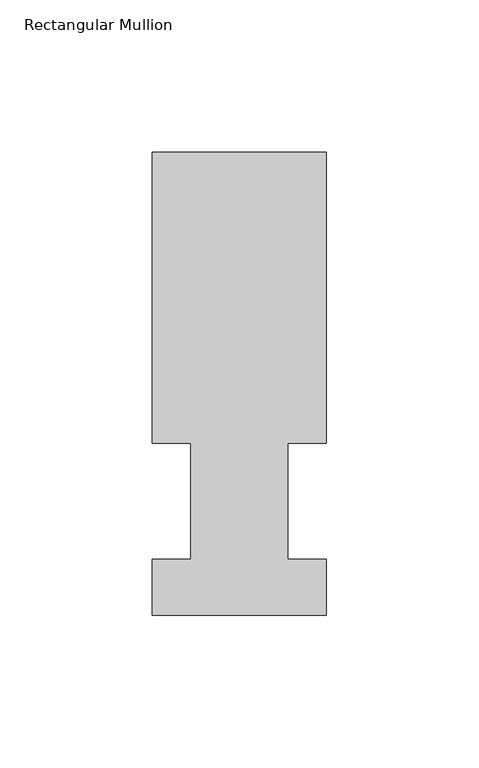
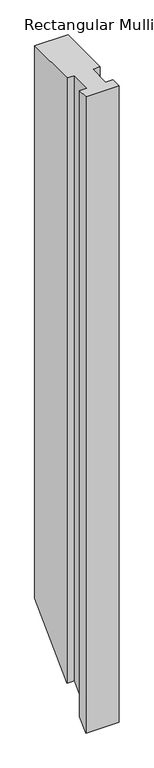
"""IFC4 building model written with IfcOpenShell, lengths in millimetres: member geometry, Rectangular Mullion."""

from ifc_helpers import new_model, si_unit, origin, place, context, project, spatial, faceted_brep, source, transform, mapped, element, save


def rectangular_mullion_3c2de995(model_context):
    return source(origin(), model_context, "Body", "Brep", [
        faceted_brep([(0.0, 151.98725, 0.0), (-57.15, 151.98725, 0.0), (-57.15, 56.35625, 0.0), (-44.45, 56.35625, 0.0), (-44.45, 18.25625, 0.0), (-57.15, 18.25625, 0.0), (-57.15, -0.03175, 0.0), (0.0, -0.03175, 0.0), (0.0, 18.25625, 0.0), (-12.7, 18.25625, 0.0), (-12.7, 56.35625, 0.0), (0.0, 56.35625, 0.0), (0.0, 151.98725, -1000.4806), (-57.15, 151.98725, -1000.4806), (-57.15, 56.35625, -1096.1116), (-44.45, 56.35625, -1096.1116), (-44.45, 18.25625, -1134.2116), (-57.15, 18.25625, -1134.2116), (-57.15, -0.03175, -1152.4996), (0.0, -0.03175, -1152.4996), (0.0, 18.25625, -1134.2116), (-12.7, 18.25625, -1134.2116), (-12.7, 56.35625, -1096.1116), (0.0, 56.35625, -1096.1116)], [[[0, 1, 2, 3, 4, 5, 6, 7, 8, 9, 10, 11]], [[1, 0, 12, 13]], [[2, 1, 13, 14]], [[3, 2, 14, 15]], [[4, 3, 15, 16]], [[5, 4, 16, 17]], [[6, 5, 17, 18]], [[7, 6, 18, 19]], [[8, 7, 19, 20]], [[9, 8, 20, 21]], [[10, 9, 21, 22]], [[11, 10, 22, 23]], [[0, 11, 23, 12]], [[12, 23, 22, 21, 20, 19, 18, 17, 16, 15, 14, 13]]]),
    ])


if __name__ == "__main__":
    model = new_model("IFC4")
    model_context = context("Model", 3, world=origin())
    ifc_project = project(units=[si_unit("LENGTHUNIT", "METRE", prefix="MILLI")], contexts=[model_context])
    site = spatial("IfcSite", under=ifc_project)
    building = spatial("IfcBuilding", under=site)
    placement = place(None, origin())
    rectangular_mullion_shape = rectangular_mullion_3c2de995(model_context)
    element("IfcMember", 1, ObjectType="Rectangular Mullion", at=placement, inside=building, context=model_context, shape_type="MappedRepresentation", body=[
        mapped(rectangular_mullion_shape, transform((0.0, 0.0, 0.0), x_axis=(1.0, 0.0, 0.0), y_axis=(0.0, 1.0, 0.0), z_axis=(0.0, 0.0, 1.0))),
    ])
    save(model, "model.ifc")
